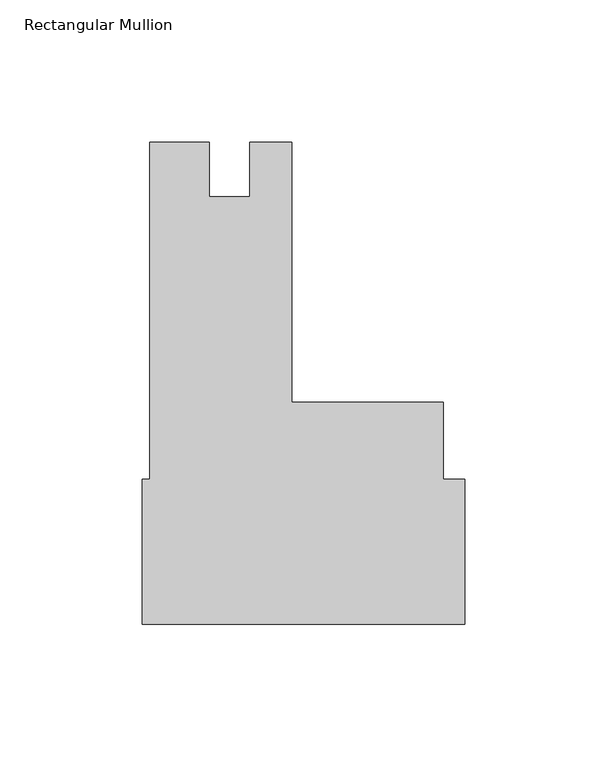
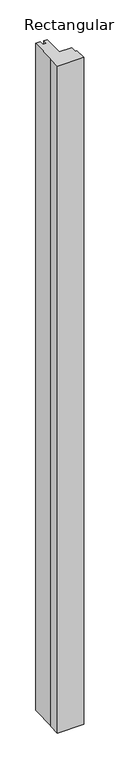
"""IFC4 building model written with IfcOpenShell, lengths in millimetres: member geometry, Rectangular Mullion."""

from ifc_helpers import new_model, si_unit, frame, origin, place, context, project, spatial, polyline, outline, extrude, source, transform, mapped, element, save


def rectangular_mullion_44514227(model_context):
    return source(origin(), model_context, "Body", "SweptSolid", [
        extrude(outline(polyline([(0.0, 9.525), (-113.07572, 9.525), (-113.07572, 60.325), (-110.508415, 60.325), (-110.508415, 178.59375), (-89.6296084, 178.59375), (-89.6296084, 159.5691513), (-75.316715, 159.5691513), (-75.316715, 178.5937513), (-60.724415, 178.5937513), (-60.724415, 87.2998), (-7.545705, 87.2998), (-7.545705, 60.325), (0.0, 60.325), (0.0, 9.525)])), frame((0.0, 0.0, -3048.0), z_axis=(0.0, 0.0, 1.0), x_axis=(1.0, 0.0, 0.0)), (0.0, 0.0, 1.0), 3048.0),
    ])


if __name__ == "__main__":
    model = new_model("IFC4")
    model_context = context("Model", 3, world=origin())
    ifc_project = project(units=[si_unit("LENGTHUNIT", "METRE", prefix="MILLI")], contexts=[model_context])
    site = spatial("IfcSite", under=ifc_project)
    building = spatial("IfcBuilding", under=site)
    placement = place(None, origin())
    rectangular_mullion_shape = rectangular_mullion_44514227(model_context)
    element("IfcMember", 1, ObjectType="Rectangular Mullion", at=placement, inside=building, context=model_context, shape_type="MappedRepresentation", body=[
        mapped(rectangular_mullion_shape, transform((0.0, 0.0, 0.0), x_axis=(1.0, 0.0, 0.0), y_axis=(0.0, 1.0, 0.0), z_axis=(0.0, 0.0, 1.0))),
    ])
    save(model, "model.ifc")
